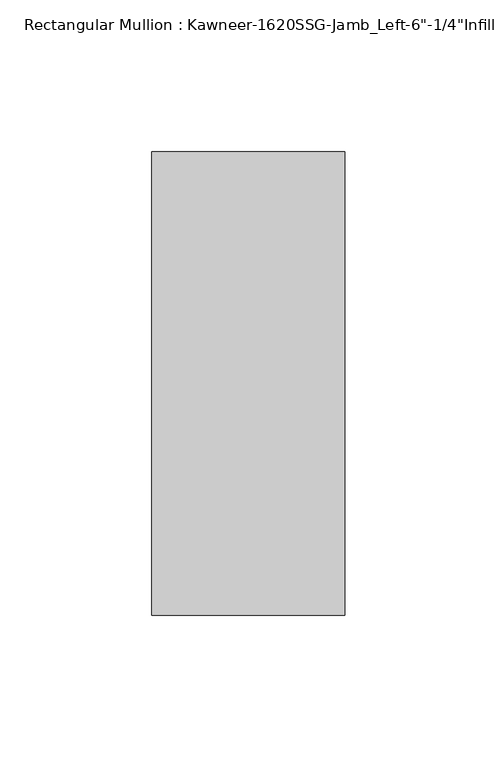
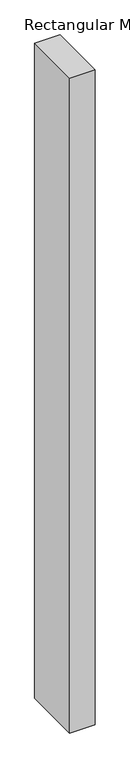
"""IFC4 building model written with IfcOpenShell, lengths in millimetres: member geometry."""

from ifc_helpers import new_model, si_unit, frame, origin, place, context, project, spatial, polyline, outline, extrude, source, transform, mapped, element, save


def member_dedb1bc6(model_context):
    return source(origin(), model_context, "Body", "SweptSolid", [
        extrude(outline(polyline([(22.225, 28.575), (22.225, -123.825), (-41.275, -123.825), (-41.275, 28.575), (22.225, 28.575)])), frame((0.0, 0.0, -1739.9), z_axis=(0.0, 0.0, 1.0), x_axis=(1.0, 0.0, 0.0)), (0.0, 0.0, 1.0), 1739.9),
    ])


if __name__ == "__main__":
    model = new_model("IFC4")
    model_context = context("Model", 3, world=origin())
    ifc_project = project(units=[si_unit("LENGTHUNIT", "METRE", prefix="MILLI")], contexts=[model_context])
    site = spatial("IfcSite", under=ifc_project)
    building = spatial("IfcBuilding", under=site)
    placement = place(None, origin())
    member_shape = member_dedb1bc6(model_context)
    element("IfcMember", 1, ObjectType="Rectangular Mullion : Kawneer-1620SSG-Jamb_Left-6\"-1/4\"Infill", at=placement, inside=building, context=model_context, shape_type="MappedRepresentation", body=[
        mapped(member_shape, transform((0.0, 0.0, 0.0), x_axis=(1.0, 0.0, 0.0), y_axis=(0.0, 1.0, 0.0), z_axis=(0.0, 0.0, 1.0))),
    ])
    save(model, "model.ifc")
